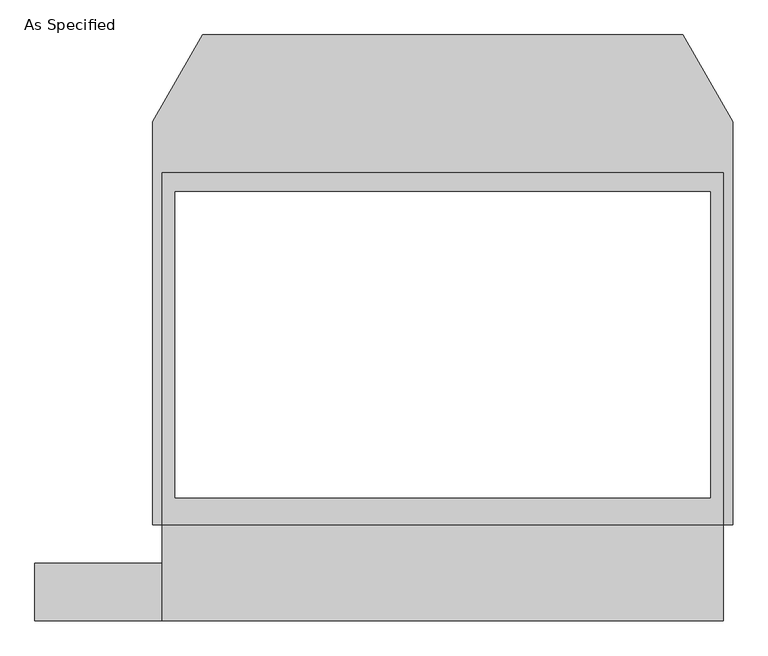
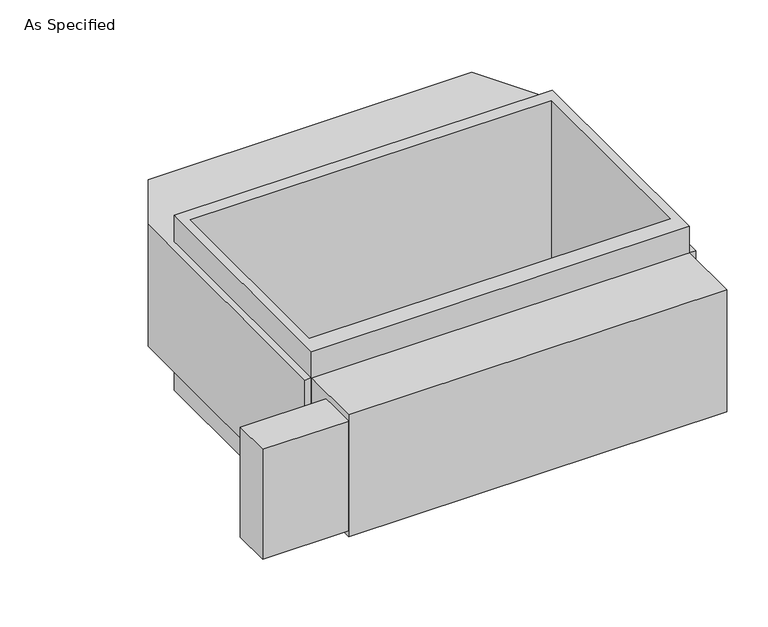
"""IFC4 building model written with IfcOpenShell, lengths in millimetres: proxy geometry, As Specified."""

from ifc_helpers import new_model, si_unit, frame, origin, place, context, project, spatial, polyline, outline, extrude, source, transform, mapped, element, save


def as_specified_6a9f50b5(model_context):
    return source(origin(), model_context, "Body", "SweptSolid", [
        extrude(outline(polyline([(-1117.6, -1166.5148438), (-1625.6, -1166.5148438), (-1625.6, -937.9148438), (-1117.6, -937.9148438), (-1117.6, -1166.5148438)])), frame((0.0, 0.0, -749.3), z_axis=(0.0, 0.0, 1.0), x_axis=(1.0, 0.0, 0.0)), (0.0, 0.0, 1.0), 685.8),
        extrude(outline(polyline([(1117.6, 617.8351562), (1117.6, -785.5148438), (-1117.6, -785.5148438), (-1117.6, 617.8351562), (1117.6, 617.8351562)]), holes=[polyline([(-1066.8, 541.6748437), (-1066.8, -677.5251563), (1066.8, -677.5251563), (1066.8, 541.6748437), (-1066.8, 541.6748437)])]), frame((0.0, 0.0, -952.5), z_axis=(0.0, 0.0, 1.0), x_axis=(1.0, 0.0, 0.0)), (0.0, 0.0, 1.0), 1092.2),
        extrude(outline(polyline([(1117.6, -1166.5148438), (-1117.6, -1166.5148438), (-1117.6, -785.5148438), (-1155.7, -785.5148438), (-1155.7, 821.0748437), (-956.260123, 1166.5148437), (956.260123, 1166.5148437), (1155.7, 821.0748437), (1155.7, -785.5148438), (1117.6, -785.5148438), (1117.6, -1166.5148438)]), holes=[polyline([(1066.8, -677.5251563), (1066.8, 541.6748437), (-1066.8, 541.6748437), (-1066.8, -677.5251563), (1066.8, -677.5251563)])]), frame((0.0, 0.0, -787.4), z_axis=(0.0, 0.0, 1.0), x_axis=(1.0, 0.0, 0.0)), (0.0, 0.0, 1.0), 762.0),
    ])


if __name__ == "__main__":
    model = new_model("IFC4")
    model_context = context("Model", 3, world=origin())
    ifc_project = project(units=[si_unit("LENGTHUNIT", "METRE", prefix="MILLI")], contexts=[model_context])
    site = spatial("IfcSite", under=ifc_project)
    building = spatial("IfcBuilding", under=site)
    placement = place(None, origin())
    as_specified_shape = as_specified_6a9f50b5(model_context)
    element("IfcBuildingElementProxy", 1, Name="As Specified", ObjectType="As Specified", at=placement, inside=building, context=model_context, shape_type="MappedRepresentation", body=[
        mapped(as_specified_shape, transform((0.0, 0.0, 0.0), x_axis=(1.0, 0.0, 0.0), y_axis=(0.0, 1.0, 0.0), z_axis=(0.0, 0.0, 1.0))),
    ])
    save(model, "model.ifc")
